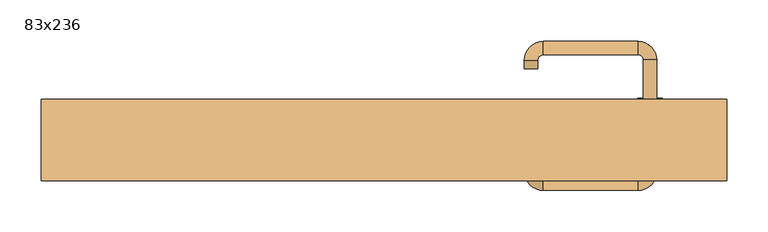
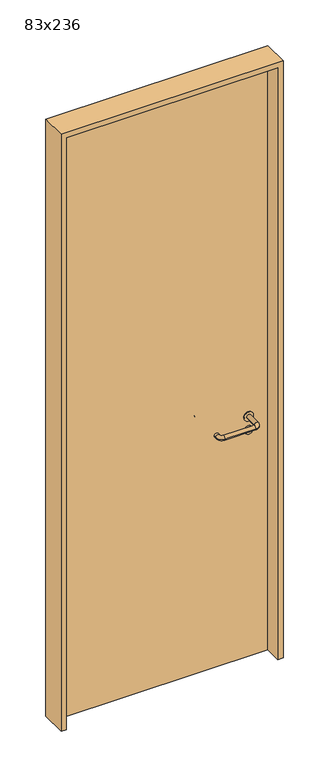
"""IFC4 building model written with IfcOpenShell, lengths in millimetres: door geometry, 83x236."""

from ifc_helpers import new_model, si_unit, point, frame, frame_2d, origin, origin_with_axes, place, context, project, spatial, polyline, circle_curve, ellipse_curve, trimmed, segment, composite_curve, outline, extrude, source, transform, mapped, element, save
from ifc_brep_helpers import plane_surface, cylinder_surface, revolved_surface, advanced_brep


def door_83x236_4d0b274a(model_context):
    return source(origin(), model_context, "Body", "SolidModel", [
        extrude(outline(composite_curve([segment(trimmed(circle_curve(frame_2d((897.3605726, 322.0)), 15.0), [point((897.3605726, 337.0))], [point((897.3605726, 307.0))], False, "CARTESIAN"), True, "CONTINUOUS"), segment(trimmed(circle_curve(frame_2d((897.3605726, 322.0)), 15.0), [point((897.3605726, 307.0))], [point((897.3605726, 337.0))], False, "CARTESIAN"), True, "CONTINUOUS")], self_intersect=False), holes=[composite_curve([segment(trimmed(circle_curve(frame_2d((892.5833211, 321.9398032)), 2.0), [point((892.5833211, 323.9398032))], [point((892.5833211, 319.9398032))], True, "CARTESIAN"), True, "CONTINUOUS"), segment(polyline([(892.5833211, 319.9398032), (902.5833211, 319.9398032)]), True, "CONTINUOUS"), segment(trimmed(circle_curve(frame_2d((902.5833211, 321.9398032)), 2.0), [point((902.5833211, 319.9398032))], [point((902.5833211, 323.9398032))], True, "CARTESIAN"), True, "CONTINUOUS"), segment(polyline([(902.5833211, 323.9398032), (892.5833211, 323.9398032)]), True, "CONTINUOUS")], self_intersect=False)]), frame((0.0, 8.65, 0.0), z_axis=(0.0, 1.0, 0.0), x_axis=(0.0, 0.0, 1.0)), (0.0, 0.0, 1.0), 6.35),
        extrude(outline(composite_curve([segment(trimmed(circle_curve(frame_2d((950.0, 322.0)), 17.526), [point((950.0, 339.526))], [point((950.0, 304.474))], False, "CARTESIAN"), True, "CONTINUOUS"), segment(trimmed(circle_curve(frame_2d((950.0, 322.0)), 17.526), [point((950.0, 304.474))], [point((950.0, 339.526))], False, "CARTESIAN"), True, "CONTINUOUS")], self_intersect=False)), frame((0.0, 11.825, 0.0), z_axis=(0.0, 1.0, 0.0), x_axis=(0.0, 0.0, 1.0)), (0.0, 0.0, 1.0), 3.175),
        advanced_brep(
        [(330.0, 15.0, 950.0), (314.0, 15.0, 950.0), (314.0, -38.0, 950.0), (330.0, -38.0, 950.0), (307.8578644, -44.1421356, 950.0), (307.8578644, -60.1421356, 950.0), (192.8578644, -44.1421356, 950.0), (192.8578644, -60.1421356, 950.0), (186.008622, -37.2928932, 950.0), (170.008622, -37.2928932, 950.0), (170.008622, -27.2928932, 950.0), (186.008622, -27.2928932, 950.0)],
        [
            (0, 1, circle_curve(frame((322.0, 15.0, 950.0), z_axis=(0.0, 1.0, 0.0), x_axis=(-1.0, 0.0, 0.0)), 8.0)),
            (1, 0, circle_curve(frame((322.0, 15.0, 950.0), z_axis=(0.0, 1.0, 0.0), x_axis=(-1.0, 0.0, 0.0)), 8.0)),
            (1, 2),
            (2, 3, circle_curve(frame((322.0, -38.0, 950.0), z_axis=(0.0, 1.0, 0.0), x_axis=(-1.0, 0.0, 0.0)), 8.0)),
            (3, 0),
            (3, 2, circle_curve(frame((322.0, -38.0, 950.0), z_axis=(0.0, 1.0, 0.0), x_axis=(-1.0, 0.0, 0.0)), 8.0)),
            (4, 5, circle_curve(frame((307.8578644, -52.1421356, 950.0), z_axis=(1.0, 0.0, 0.0), x_axis=(0.0, 1.0, 0.0)), 8.0)),
            (5, 3, circle_curve(frame((307.8578644, -38.0, 950.0), z_axis=(0.0, 0.0, 1.0), x_axis=(1.0, 0.0, 0.0)), 22.1421356)),
            (2, 4, circle_curve(frame((307.8578644, -38.0, 950.0), z_axis=(0.0, 0.0, -1.0), x_axis=(1.0, 0.0, 0.0)), 6.1421356)),
            (5, 4, circle_curve(frame((307.8578644, -52.1421356, 950.0), z_axis=(1.0, 0.0, 0.0), x_axis=(0.0, 1.0, 0.0)), 8.0)),
            (4, 6),
            (6, 7, circle_curve(frame((192.8578644, -52.1421356, 950.0), z_axis=(1.0, 0.0, 0.0), x_axis=(0.0, 1.0, 0.0)), 8.0)),
            (7, 5),
            (7, 6, circle_curve(frame((192.8578644, -52.1421356, 950.0), z_axis=(1.0, 0.0, 0.0), x_axis=(0.0, 1.0, 0.0)), 8.0)),
            (8, 9, circle_curve(frame((178.008622, -37.2928932, 950.0), z_axis=(0.0, -1.0, 0.0), x_axis=(1.0, 0.0, 0.0)), 8.0)),
            (9, 7, circle_curve(frame((192.8578644, -37.2928932, 950.0), z_axis=(0.0, 0.0, 1.0), x_axis=(0.0, -1.0, 0.0)), 22.8492424)),
            (6, 8, circle_curve(frame((192.8578644, -37.2928932, 950.0), z_axis=(0.0, 0.0, -1.0), x_axis=(0.0, -1.0, 0.0)), 6.8492424)),
            (9, 8, circle_curve(frame((178.008622, -37.2928932, 950.0), z_axis=(0.0, -1.0, 0.0), x_axis=(1.0, 0.0, 0.0)), 8.0)),
            (10, 11, circle_curve(frame((178.008622, -27.2928932, 950.0), z_axis=(0.0, 1.0, 0.0), x_axis=(1.0, 0.0, 0.0)), 8.0)),
            (11, 10, circle_curve(frame((178.008622, -27.2928932, 950.0), z_axis=(0.0, 1.0, 0.0), x_axis=(1.0, 0.0, 0.0)), 8.0)),
            (8, 11),
            (10, 9),
        ],
        [
            plane_surface(frame((322.0, 15.0, 0.0), z_axis=(0.0, 1.0, 0.0), x_axis=(0.0, 0.0, 1.0))),
            cylinder_surface(frame((322.0, 15.0, 950.0), z_axis=(0.0, 1.0, 0.0), x_axis=(-1.0, 0.0, 0.0)), 8.0),
            revolved_surface(trimmed(ellipse_curve(frame((322.0, -38.0, 950.0), z_axis=(0.0, -1.0, 0.0), x_axis=(-1.0, 0.0, 0.0)), 8.0, 8.0), [point((330.0, -38.0, 950.0))], [point((314.0, -38.0, 950.0))], True, "CARTESIAN"), (307.8578644, -38.0, 0.0), (0.0, 0.0, 1.0)),
            revolved_surface(trimmed(ellipse_curve(frame((322.0, -38.0, 950.0), z_axis=(0.0, -1.0, 0.0), x_axis=(-1.0, 0.0, 0.0)), 8.0, 8.0), [point((314.0, -38.0, 950.0))], [point((330.0, -38.0, 950.0))], True, "CARTESIAN"), (307.8578644, -38.0, 0.0), (0.0, 0.0, 1.0)),
            cylinder_surface(frame((307.8578644, -52.1421356, 950.0), z_axis=(1.0, 0.0, 0.0), x_axis=(0.0, 1.0, 0.0)), 8.0),
            revolved_surface(trimmed(ellipse_curve(frame((192.8578644, -52.1421356, 950.0), z_axis=(-1.0, 0.0, 0.0), x_axis=(0.0, 1.0, 0.0)), 8.0, 8.0), [point((192.8578644, -60.1421356, 950.0))], [point((192.8578644, -44.1421356, 950.0))], True, "CARTESIAN"), (192.8578644, -37.2928932, 0.0), (0.0, 0.0, 1.0)),
            revolved_surface(trimmed(ellipse_curve(frame((192.8578644, -52.1421356, 950.0), z_axis=(-1.0, 0.0, 0.0), x_axis=(0.0, 1.0, 0.0)), 8.0, 8.0), [point((192.8578644, -44.1421356, 950.0))], [point((192.8578644, -60.1421356, 950.0))], True, "CARTESIAN"), (192.8578644, -37.2928932, 0.0), (0.0, 0.0, 1.0)),
            plane_surface(frame((178.008622, -27.2928932, 0.0), z_axis=(0.0, 1.0, 0.0), x_axis=(0.0, 0.0, 1.0))),
            cylinder_surface(frame((178.008622, -37.2928932, 950.0), z_axis=(0.0, -1.0, 0.0), x_axis=(1.0, 0.0, 0.0)), 8.0),
        ],
        [
            (0, [[1, 2]]),
            (1, [[3, 4, 5, -2]]),
            (1, [[-5, 6, -3, -1]]),
            (2, [[7, 8, -4, 9]]),
            (3, [[10, -9, -6, -8]]),
            (4, [[11, 12, 13, -7]]),
            (4, [[-13, 14, -11, -10]]),
            (5, [[15, 16, -12, 17]]),
            (6, [[18, -17, -14, -16]]),
            (7, [[19, 20]]),
            (8, [[21, -19, 22, -15]]),
            (8, [[-22, -20, -21, -18]]),
        ],
    ),
        extrude(outline(composite_curve([segment(trimmed(circle_curve(frame_2d((0.0, -15.0)), 15.0), [point((0.0, -30.0))], [point((0.0, 0.0))], False, "CARTESIAN"), True, "CONTINUOUS"), segment(trimmed(circle_curve(frame_2d((0.0, -15.0)), 15.0), [point((0.0, 0.0))], [point((0.0, -30.0))], False, "CARTESIAN"), True, "CONTINUOUS")], self_intersect=False), holes=[composite_curve([segment(trimmed(circle_curve(frame_2d((4.7772515, -14.9398032)), 2.0), [point((4.7772515, -16.9398032))], [point((4.7772515, -12.9398032))], True, "CARTESIAN"), True, "CONTINUOUS"), segment(polyline([(4.7772515, -12.9398032), (-5.2227485, -12.9398032)]), True, "CONTINUOUS"), segment(trimmed(circle_curve(frame_2d((-5.2227485, -14.9398032)), 2.0), [point((-5.2227485, -12.9398032))], [point((-5.2227485, -16.9398032))], True, "CARTESIAN"), True, "CONTINUOUS"), segment(polyline([(-5.2227485, -16.9398032), (4.7772515, -16.9398032)]), True, "CONTINUOUS")], self_intersect=False)]), frame((307.0, 45.0, 897.3605726), z_axis=(1.8870575173328306e-12, 1.0, 0.0), x_axis=(0.0, 0.0, -1.0)), (0.0, 0.0, 1.0), 6.35),
        extrude(outline(composite_curve([segment(trimmed(circle_curve(frame_2d((0.0, -17.526)), 17.526), [point((0.0, -35.052))], [point((0.0, 0.0))], False, "CARTESIAN"), True, "CONTINUOUS"), segment(trimmed(circle_curve(frame_2d((0.0, -17.526)), 17.526), [point((0.0, 0.0))], [point((0.0, -35.052))], False, "CARTESIAN"), True, "CONTINUOUS")], self_intersect=False)), frame((304.474, 45.0, 950.0), z_axis=(1.8870575173328306e-12, 1.0, 0.0), x_axis=(0.0, 0.0, -1.0)), (0.0, 0.0, 1.0), 3.175),
        advanced_brep(
        [(330.0, 45.0, 950.0), (314.0, 45.0, 950.0), (330.0, 98.0, 950.0), (314.0, 98.0, 950.0), (307.8578644, 104.1421356, 950.0), (307.8578644, 120.1421356, 950.0), (192.8578644, 120.1421356, 950.0), (192.8578644, 104.1421356, 950.0), (186.008622, 97.2928932, 950.0), (170.008622, 97.2928932, 950.0), (170.008622, 87.2928932, 950.0), (186.008622, 87.2928932, 950.0)],
        [
            (0, 1, circle_curve(frame((322.0, 45.0, 950.0), z_axis=(-1.888672253512351e-12, -1.0, 0.0), x_axis=(-1.0, 1.888672253512351e-12, 0.0)), 8.0)),
            (1, 0, circle_curve(frame((322.0, 45.0, 950.0), z_axis=(-1.888672253512351e-12, -1.0, 0.0), x_axis=(-1.0, 1.888672253512351e-12, 0.0)), 8.0)),
            (0, 2),
            (2, 3, circle_curve(frame((322.0, 98.0, 950.0), z_axis=(-1.888672253512351e-12, -1.0, 0.0), x_axis=(-1.0, 1.888672253512351e-12, 0.0)), 8.0)),
            (3, 1),
            (3, 2, circle_curve(frame((322.0, 98.0, 950.0), z_axis=(-1.888672253512351e-12, -1.0, 0.0), x_axis=(-1.0, 1.888672253512351e-12, 0.0)), 8.0)),
            (4, 3, circle_curve(frame((307.8578644, 98.0, 950.0), z_axis=(0.0, 0.0, -1.0), x_axis=(1.0, -1.880717803715015e-12, 0.0)), 6.1421356)),
            (2, 5, circle_curve(frame((307.8578644, 98.0, 950.0), z_axis=(0.0, 0.0, 1.0), x_axis=(1.0, -1.880717803715015e-12, 0.0)), 22.1421356)),
            (5, 4, circle_curve(frame((307.8578644, 112.1421356, 950.0), z_axis=(1.0, -1.913702061528922e-12, 0.0), x_axis=(-1.913702061528922e-12, -1.0, 0.0)), 8.0)),
            (4, 5, circle_curve(frame((307.8578644, 112.1421356, 950.0), z_axis=(1.0, -1.913702061528922e-12, 0.0), x_axis=(-1.913702061528922e-12, -1.0, 0.0)), 8.0)),
            (5, 6),
            (6, 7, circle_curve(frame((192.8578644, 112.1421356, 950.0), z_axis=(1.0, -1.913719828541269e-12, 0.0), x_axis=(-1.913719828541269e-12, -1.0, 0.0)), 8.0)),
            (7, 4),
            (7, 6, circle_curve(frame((192.8578644, 112.1421356, 950.0), z_axis=(1.0, -1.913719828541269e-12, 0.0), x_axis=(-1.913719828541269e-12, -1.0, 0.0)), 8.0)),
            (8, 7, circle_curve(frame((192.8578644, 97.2928932, 950.0), z_axis=(0.0, 0.0, -1.0), x_axis=(1.9120873253494017e-12, 1.0, 0.0)), 6.8492424)),
            (6, 9, circle_curve(frame((192.8578644, 97.2928932, 950.0), z_axis=(0.0, 0.0, 1.0), x_axis=(1.9120873253494017e-12, 1.0, 0.0)), 22.8492424)),
            (9, 8, circle_curve(frame((178.008622, 97.2928932, 950.0), z_axis=(1.890448610351751e-12, 1.0, 0.0), x_axis=(1.0, -1.890448610351751e-12, 0.0)), 8.0)),
            (8, 9, circle_curve(frame((178.008622, 97.2928932, 950.0), z_axis=(1.8888942981172756e-12, 1.0, 0.0), x_axis=(1.0, -1.8888942981172756e-12, 0.0)), 8.0)),
            (10, 11, circle_curve(frame((178.008622, 87.2928932, 950.0), z_axis=(-1.8903642334018795e-12, -1.0, 0.0), x_axis=(1.0, -1.8903642334018795e-12, 0.0)), 8.0)),
            (11, 10, circle_curve(frame((178.008622, 87.2928932, 950.0), z_axis=(-1.8903642334018795e-12, -1.0, 0.0), x_axis=(1.0, -1.8903642334018795e-12, 0.0)), 8.0)),
            (9, 10),
            (11, 8),
        ],
        [
            plane_surface(frame((322.0, 45.0, 0.0), z_axis=(-1.8870575173328306e-12, -1.0, 0.0), x_axis=(0.0, 0.0, 1.0))),
            cylinder_surface(frame((322.0, 45.0, 950.0), z_axis=(-1.888672253512351e-12, -1.0, 0.0), x_axis=(-1.0, 1.888672253512351e-12, 0.0)), 8.0),
            revolved_surface(trimmed(ellipse_curve(frame((322.0, 98.0, 950.0), z_axis=(-1.8823325398945356e-12, -1.0, 0.0), x_axis=(-1.0, 1.8823325398945356e-12, 0.0)), 8.0, 8.0), [point((330.0, 98.0, 950.0))], [point((314.0, 98.0, 950.0))], True, "CARTESIAN"), (307.8578644, 98.0, 0.0), (0.0, 0.0, 1.0)),
            revolved_surface(trimmed(ellipse_curve(frame((322.0, 98.0, 950.0), z_axis=(-1.8823325398945356e-12, -1.0, 0.0), x_axis=(-1.0, 1.8823325398945356e-12, 0.0)), 8.0, 8.0), [point((314.0, 98.0, 950.0))], [point((330.0, 98.0, 950.0))], True, "CARTESIAN"), (307.8578644, 98.0, 0.0), (0.0, 0.0, 1.0)),
            cylinder_surface(frame((307.8578644, 112.1421356, 950.0), z_axis=(1.0, -1.913719828541269e-12, 0.0), x_axis=(-1.913719828541269e-12, -1.0, 0.0)), 8.0),
            revolved_surface(trimmed(ellipse_curve(frame((192.8578644, 112.1421356, 950.0), z_axis=(1.0, -1.913702061528922e-12, 0.0), x_axis=(-1.913702061528922e-12, -1.0, 0.0)), 8.0, 8.0), [point((192.8578644, 120.1421356, 950.0))], [point((192.8578644, 104.1421356, 950.0))], True, "CARTESIAN"), (192.8578644, 97.2928932, 0.0), (0.0, 0.0, 1.0)),
            revolved_surface(trimmed(ellipse_curve(frame((192.8578644, 112.1421356, 950.0), z_axis=(1.0, -1.913702061528922e-12, 0.0), x_axis=(-1.913702061528922e-12, -1.0, 0.0)), 8.0, 8.0), [point((192.8578644, 104.1421356, 950.0))], [point((192.8578644, 120.1421356, 950.0))], True, "CARTESIAN"), (192.8578644, 97.2928932, 0.0), (0.0, 0.0, 1.0)),
            plane_surface(frame((178.008622, 87.2928932, 0.0), z_axis=(-1.8887494972223595e-12, -1.0, 0.0), x_axis=(0.0, 0.0, 1.0))),
            cylinder_surface(frame((178.008622, 97.2928932, 950.0), z_axis=(1.8903642334018795e-12, 1.0, 0.0), x_axis=(1.0, -1.8903642334018795e-12, 0.0)), 8.0),
        ],
        [
            (0, [[1, 2]]),
            (1, [[-1, 3, 4, 5]]),
            (1, [[-2, -5, 6, -3]]),
            (2, [[7, -4, 8, 9]]),
            (3, [[-8, -6, -7, 10]]),
            (4, [[-9, 11, 12, 13]]),
            (4, [[-10, -13, 14, -11]]),
            (5, [[15, -12, 16, 17]]),
            (6, [[-16, -14, -15, 18]]),
            (7, [[19, 20]]),
            (8, [[-17, 21, -20, 22]]),
            (8, [[-18, -22, -19, -21]]),
        ],
    ),
        extrude(outline(polyline([(2340.0, 395.0), (0.0, 395.0), (0.0, 415.0), (2360.0, 415.0), (2360.0, -415.0), (0.0, -415.0), (0.0, -395.0), (2340.0, -395.0), (2340.0, 395.0)])), frame((0.0, -49.0, 0.0), z_axis=(0.0, 1.0, 0.0), x_axis=(0.0, 0.0, 1.0)), (0.0, 0.0, 1.0), 99.0),
        extrude(outline(polyline([(-395.0, 45.0), (395.0, 45.0), (395.0, 15.0), (-395.0, 15.0), (-395.0, 45.0)])), origin_with_axes(), (0.0, 0.0, 1.0), 2340.0),
    ])


if __name__ == "__main__":
    model = new_model("IFC4")
    model_context = context("Model", 3, world=origin())
    ifc_project = project(units=[si_unit("LENGTHUNIT", "METRE", prefix="MILLI")], contexts=[model_context])
    site = spatial("IfcSite", under=ifc_project)
    building = spatial("IfcBuilding", under=site)
    placement = place(None, origin())
    door_83x236_shape = door_83x236_4d0b274a(model_context)
    element("IfcDoor", 1, ObjectType="83x236", at=placement, inside=building, context=model_context, shape_type="MappedRepresentation", body=[
        mapped(door_83x236_shape, transform((0.0, 0.0, 0.0), x_axis=(1.0, 0.0, 0.0), y_axis=(0.0, 1.0, 0.0), z_axis=(0.0, 0.0, 1.0))),
    ])
    save(model, "model.ifc")
